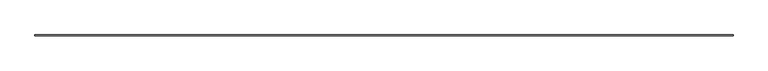
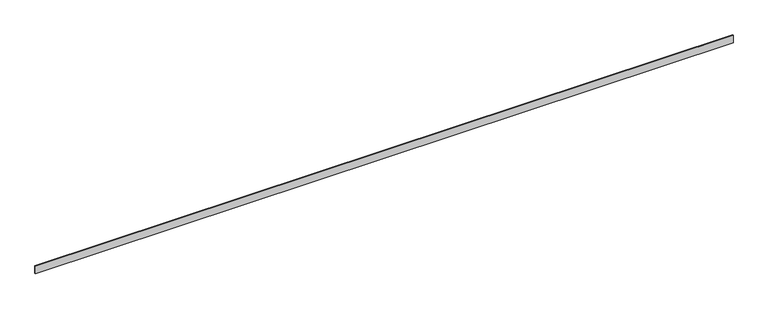
"""IFC4 building model written with IfcOpenShell, lengths in millimetres: furniture geometry."""

from ifc_helpers import new_model, si_unit, origin, origin_with_axes, place, context, project, spatial, polyline, outline, extrude, source, transform, mapped, element, save


def furniture_a5b69f68(model_context):
    return source(origin(), model_context, "Body", "SweptSolid", [
        extrude(outline(polyline([(0.0, 0.0), (0.0, 10.0), (9143.4065813, 10.0), (9143.4065813, 0.0), (0.0, 0.0)])), origin_with_axes(), (0.0, 0.0, 1.0), 100.0),
    ])


if __name__ == "__main__":
    model = new_model("IFC4")
    model_context = context("Model", 3, world=origin())
    ifc_project = project(units=[si_unit("LENGTHUNIT", "METRE", prefix="MILLI")], contexts=[model_context])
    site = spatial("IfcSite", under=ifc_project)
    building = spatial("IfcBuilding", under=site)
    placement = place(None, origin())
    furniture_shape = furniture_a5b69f68(model_context)
    element("IfcFurniture", 1, at=placement, inside=building, context=model_context, shape_type="MappedRepresentation", body=[
        mapped(furniture_shape, transform((0.0, 0.0, 0.0), x_axis=(1.0, 0.0, 0.0), y_axis=(0.0, 1.0, 0.0), z_axis=(0.0, 0.0, 1.0))),
    ])
    save(model, "model.ifc")
